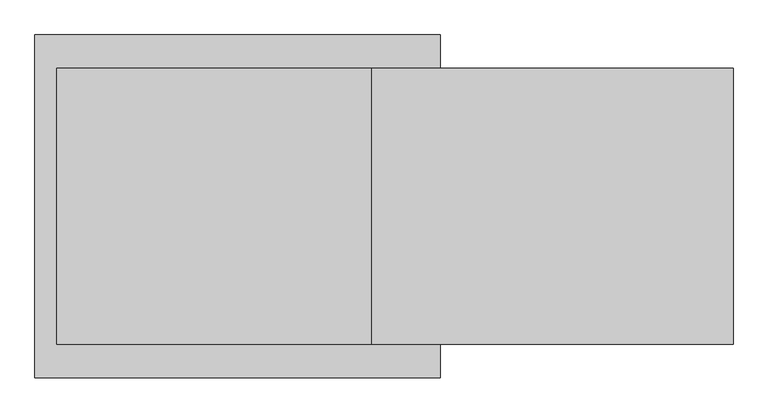
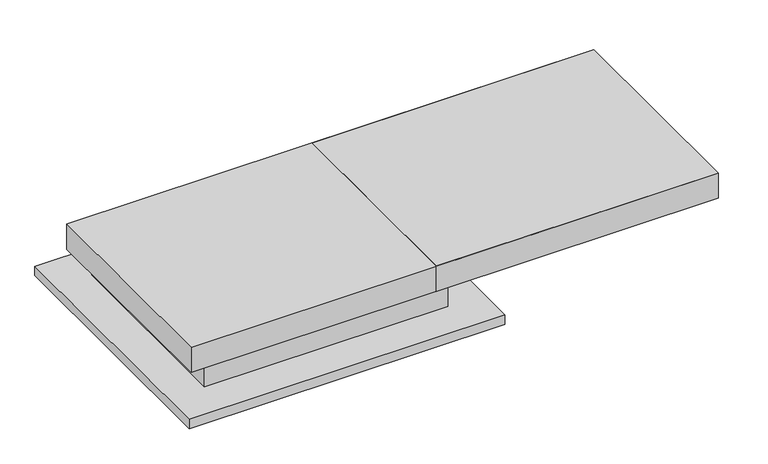
"""IFC4 building model written with IfcOpenShell, lengths in millimetres: proxy geometry."""

from ifc_helpers import new_model, si_unit, frame, origin, place, context, project, spatial, polyline, outline, extrude, faceted_brep, source, transform, mapped, element, save


def specialty_equipment_a11d29dc(model_context):
    return source(origin(), model_context, "Body", "SolidModel", [
        extrude(outline(polyline([(-1204.0, 109.0), (-1210.0, 109.0), (-1210.0, 159.0), (-1160.0, 159.0), (-1160.0, 153.0), (-1204.0, 153.0), (-1204.0, 109.0)])), frame((-941.0, 0.0, 0.0), z_axis=(1.0, 0.0, 0.0), x_axis=(0.0, 1.0, 0.0)), (0.0, 0.0, 1.0), 1002.0),
        extrude(outline(polyline([(-396.0, 109.0), (-396.0, 153.0), (-440.0, 153.0), (-440.0, 159.0), (-390.0, 159.0), (-390.0, 109.0), (-396.0, 109.0)])), frame((-941.0, 0.0, 0.0), z_axis=(1.0, 0.0, 0.0), x_axis=(0.0, 1.0, 0.0)), (0.0, 0.0, 1.0), 1002.0),
        extrude(outline(polyline([(159.0, -941.0), (159.0, -991.0), (153.0, -991.0), (153.0, -947.0), (109.0, -947.0), (109.0, -941.0), (159.0, -941.0)])), frame((0.0, -1210.0, 0.0), z_axis=(0.0, 1.0, 0.0), x_axis=(0.0, 0.0, 1.0)), (0.0, 0.0, 1.0), 820.0),
        extrude(outline(polyline([(159.0, 61.0), (109.0, 61.0), (109.0, 67.0), (153.0, 67.0), (153.0, 111.0), (159.0, 111.0), (159.0, 61.0)])), frame((0.0, -1210.0, 0.0), z_axis=(0.0, 1.0, 0.0), x_axis=(0.0, 0.0, 1.0)), (0.0, 0.0, 1.0), 820.0),
        extrude(outline(polyline([(-357.5, 226.0), (-357.5, 116.0), (-373.5, 116.0), (-373.5, 159.0), (-1226.5, 159.0), (-1226.5, 116.0), (-1242.5, 116.0), (-1242.5, 226.0), (-357.5, 226.0)])), frame((-10.0, 0.0, 0.0), z_axis=(1.0, 0.0, 0.0), x_axis=(0.0, 1.0, 0.0)), (0.0, 0.0, 1.0), 1160.0),
        faceted_brep([(-941.0, -399.0, 153.0), (-941.0, -399.0, 1.0), (-941.0, -1201.0, 1.0), (-941.0, -1201.0, 153.0), (-940.0, -400.0, 153.0), (-940.0, -1200.0, 153.0), (-940.0, -1200.0, 0.0), (-940.0, -400.0, 0.0), (61.0, -1201.0, 1.0), (61.0, -1201.0, 153.0), (60.0, -1200.0, 153.0), (60.0, -1200.0, 0.0), (61.0, -399.0, 153.0), (61.0, -399.0, 1.0), (60.0, -400.0, 153.0), (60.0, -400.0, 0.0), (210.0, -250.0, 1.0), (-1090.0, -250.0, 1.0), (-1090.0, -1350.0, 1.0), (210.0, -1350.0, 1.0), (209.0, -251.0, 0.0), (209.0, -1349.0, 0.0), (-1089.0, -1349.0, 0.0), (-1089.0, -251.0, 0.0), (210.0, -250.0, -39.0), (-1090.0, -250.0, -39.0), (-1090.0, -1350.0, -39.0), (210.0, -1350.0, -39.0), (209.0, -251.0, -39.0), (-1089.0, -251.0, -39.0), (-1089.0, -1349.0, -39.0), (209.0, -1349.0, -39.0)], [[[0, 1, 2, 3]], [[4, 5, 6, 7]], [[3, 2, 8, 9]], [[5, 10, 11, 6]], [[1, 0, 12, 13]], [[14, 4, 7, 15]], [[16, 17, 18, 19], [2, 1, 13, 8]], [[20, 21, 22, 23], [15, 7, 6, 11]], [[17, 16, 24, 25]], [[18, 17, 25, 26]], [[19, 18, 26, 27]], [[24, 16, 19, 27]], [[24, 27, 26, 25], [28, 29, 30, 31]], [[28, 31, 21, 20]], [[31, 30, 22, 21]], [[30, 29, 23, 22]], [[29, 28, 20, 23]], [[9, 8, 13, 12]], [[0, 3, 9, 12], [5, 4, 14, 10]], [[10, 14, 15, 11]]]),
        extrude(outline(polyline([(1150.0, -357.5), (1150.0, -1242.5), (-1020.0, -1242.5), (-1020.0, -357.5), (1150.0, -357.5)])), frame((0.0, 0.0, 116.0), z_axis=(0.0, 0.0, 1.0), x_axis=(1.0, 0.0, 0.0)), (0.0, 0.0, 1.0), 110.0),
    ])


if __name__ == "__main__":
    model = new_model("IFC4")
    model_context = context("Model", 3, world=origin())
    ifc_project = project(units=[si_unit("LENGTHUNIT", "METRE", prefix="MILLI")], contexts=[model_context])
    site = spatial("IfcSite", under=ifc_project)
    building = spatial("IfcBuilding", under=site)
    placement = place(None, origin())
    specialty_equipment_shape = specialty_equipment_a11d29dc(model_context)
    element("IfcBuildingElementProxy", 1, Name="Specialty Equipment", at=placement, inside=building, context=model_context, shape_type="MappedRepresentation", body=[
        mapped(specialty_equipment_shape, transform((0.0, 0.0, 0.0), x_axis=(1.0, 0.0, 0.0), y_axis=(0.0, 1.0, 0.0), z_axis=(0.0, 0.0, 1.0))),
    ])
    save(model, "model.ifc")
